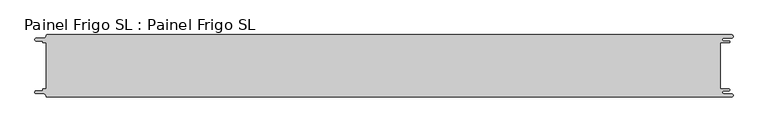
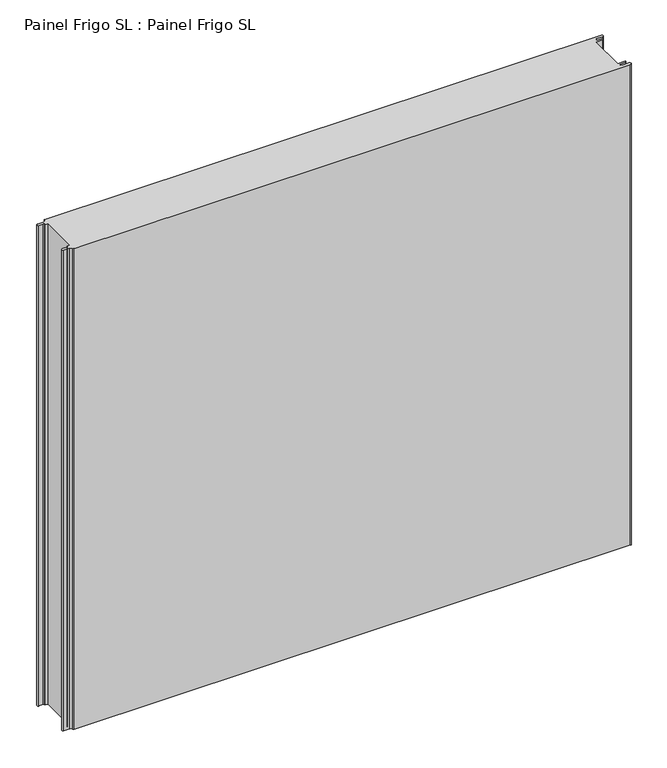
"""IFC4 building model written with IfcOpenShell, lengths in millimetres: proxy geometry, Painel Frigo SL : Painel Frigo SL."""

import ifcopenshell
import ifcopenshell.guid

model = None  # the IFC model being written
_history = None  # IfcOwnerHistory: only IFC2X3 demands one
_inside = {}  # id of a spatial element -> (the spatial element, [elements in it])
_under = {}  # id of a project, library or spatial element -> (it, [spatial elements below it])
_declared = {}  # id of a project -> (the project, [libraries it declares])
_typed = {}  # id of a type object -> (the type object, [elements of that type])
_made_of = {}  # id of a material, layer set ... -> (it, [elements and type objects made of it])


def new_model(schema):
    """Start an empty IFC model of exactly this schema.

    Asked for "IFC4X3", IfcOpenShell would pick the latest addendum, in which some entities
    have other attributes; the version numbers below select the first issue.
    IFC2X3 requires an IfcOwnerHistory on every rooted entity: one is made here for all.
    """
    global model, _history
    if schema == "IFC4X3":
        model = ifcopenshell.file(schema_version=(4, 3, 0, 0))
    else:
        model = ifcopenshell.file(schema=schema)
    _inside.clear()
    _under.clear()
    _declared.clear()
    _typed.clear()
    _made_of.clear()
    _history = None
    if model.schema == "IFC2X3":
        org = make("IfcOrganization", Name="unknown")
        user = make(
            "IfcPersonAndOrganization",
            ThePerson=make("IfcPerson", FamilyName="unknown"),
            TheOrganization=org,
        )
        app = make(
            "IfcApplication",
            ApplicationDeveloper=org,
            Version="unknown",
            ApplicationFullName="unknown",
            ApplicationIdentifier="unknown",
        )
        _history = make(
            "IfcOwnerHistory",
            OwningUser=user,
            OwningApplication=app,
            ChangeAction="ADDED",
            CreationDate=0,
        )
    return model


def make(cls, **values):
    """One entity of the class cls with the attributes given. An attribute that is None is left unset."""
    return model.create_entity(
        cls, **{name: value for name, value in values.items() if value is not None}
    )


def rooted(cls, **values):
    """An entity with a GlobalId (a new one), such as an element, a storey or a relation."""
    return make(cls, GlobalId=ifcopenshell.guid.new(), OwnerHistory=_history, **values)


def si_unit(unit_type, name, prefix=None):
    """IfcSIUnit, for example si_unit("LENGTHUNIT", "METRE", prefix="MILLI")."""
    return make("IfcSIUnit", UnitType=unit_type, Prefix=prefix, Name=name)


def assignment(units):
    """IfcUnitAssignment: the units of a project."""
    return None if units is None else make("IfcUnitAssignment", Units=units)


def point(xyz):
    """IfcCartesianPoint."""
    return None if xyz is None else make("IfcCartesianPoint", Coordinates=xyz)


def direction(xyz):
    """IfcDirection."""
    return None if xyz is None else make("IfcDirection", DirectionRatios=xyz)


def frame(location, z_axis=None, x_axis=None):
    """IfcAxis2Placement3D, a coordinate frame: its origin and axes. An axis left out is left unset."""
    return make(
        "IfcAxis2Placement3D",
        Location=point(location),
        Axis=direction(z_axis),
        RefDirection=direction(x_axis),
    )


def origin():
    """The frame at (0, 0, 0) with its axes left unset."""
    return frame((0.0, 0.0, 0.0))


def place(relative_to, where):
    """IfcLocalPlacement: puts the frame where relative to a parent placement (None: the world)."""
    return make(
        "IfcLocalPlacement", PlacementRelTo=relative_to, RelativePlacement=where
    )


def context(
    kind, dimensions, precision=None, world=None, true_north=None, identifier=None
):
    """IfcGeometricRepresentationContext, for example the 3D "Model" context."""
    return make(
        "IfcGeometricRepresentationContext",
        ContextIdentifier=identifier,
        ContextType=kind,
        CoordinateSpaceDimension=dimensions,
        Precision=precision,
        WorldCoordinateSystem=world,
        TrueNorth=true_north,
    )


def project(units=None, contexts=None):
    """IfcProject with its units and contexts."""
    return rooted(
        "IfcProject",
        Name="project",
        RepresentationContexts=contexts,
        UnitsInContext=assignment(units),
    )


def spatial(cls, under=None, at=None, **own):
    """A site, building, storey or space (cls), placed at a placement, below another one or the project."""
    s = rooted(cls, ObjectPlacement=at, **own)
    if under is not None:
        _under.setdefault(under.id(), (under, []))[1].append(s)
    return s


def polyline(points):
    """IfcPolyline through the points."""
    return make("IfcPolyline", Points=[point(p) for p in points])


def circle_curve(where, radius):
    """IfcCircle in the frame where."""
    return make("IfcCircle", Position=where, Radius=radius)


def shape(context_of_items, identifier, shape_type, items):
    """IfcShapeRepresentation: the items that make up one representation, for example the "Body"."""
    return make(
        "IfcShapeRepresentation",
        ContextOfItems=context_of_items,
        RepresentationIdentifier=identifier,
        RepresentationType=shape_type,
        Items=items,
    )


def source(mapping_origin, context_of_items, identifier, shape_type, items):
    """IfcRepresentationMap: a shape defined once, which mapped items show again and again."""
    return make(
        "IfcRepresentationMap",
        MappingOrigin=mapping_origin,
        MappedRepresentation=shape(context_of_items, identifier, shape_type, items),
    )


def transform(
    local_origin,
    x_axis=None,
    y_axis=None,
    z_axis=None,
    scale=None,
    scale2=None,
    scale3=None,
    uniform=True,
):
    """IfcCartesianTransformationOperator3D, or its non-uniform kind. x_axis, y_axis, z_axis: its Axis1, 2, 3."""
    if uniform:
        return make(
            "IfcCartesianTransformationOperator3D",
            Axis1=direction(x_axis),
            Axis2=direction(y_axis),
            LocalOrigin=point(local_origin),
            Scale=scale,
            Axis3=direction(z_axis),
        )
    return make(
        "IfcCartesianTransformationOperator3DnonUniform",
        Axis1=direction(x_axis),
        Axis2=direction(y_axis),
        LocalOrigin=point(local_origin),
        Scale=scale,
        Axis3=direction(z_axis),
        Scale2=scale2,
        Scale3=scale3,
    )


def mapped(mapping_source, mapping_target):
    """IfcMappedItem: shows the shape of a source again, moved by a transform."""
    return make(
        "IfcMappedItem", MappingSource=mapping_source, MappingTarget=mapping_target
    )


def made_of(thing, what):
    """Note that an element or type object is made of a material, layer set ...; save() writes the relation."""
    if what is not None:
        _made_of.setdefault(what.id(), (what, []))[1].append(thing)
    return thing


def element(
    cls,
    number,
    at=None,
    inside=None,
    cuts=None,
    type_object=None,
    material=None,
    context=None,
    identifier="Body",
    shape_type=None,
    held_by="IfcProductDefinitionShape",
    body=None,
    shapes=None,
    **own,
):
    """One element of the class cls, such as IfcWall. Its Tag is "e" and its number.

    at: its placement. inside: the storey or other place that contains it. cuts: it is an
    opening in that element (IfcRelVoidsElement). A single representation is given by context,
    identifier, shape_type and body (its items); several are given by shapes. held_by: the class
    of the entity that holds the representations. save() writes the other relations.
    """
    e = rooted(cls, Tag="e%d" % number, ObjectPlacement=at, **own)
    if body is not None:
        shapes = [shape(context, identifier, shape_type, body)]
    if shapes is not None:
        e.Representation = make(held_by, Representations=shapes)
    if inside is not None:
        _inside.setdefault(inside.id(), (inside, []))[1].append(e)
    if cuts is not None:
        rooted(
            "IfcRelVoidsElement", RelatingBuildingElement=cuts, RelatedOpeningElement=e
        )
    if type_object is not None:
        _typed.setdefault(type_object.id(), (type_object, []))[1].append(e)
    return made_of(e, material)


def aggregate(whole, parts):
    """IfcRelAggregates: a whole, such as a stair, and the parts it consists of."""
    return rooted("IfcRelAggregates", RelatingObject=whole, RelatedObjects=parts)


def save(model, path):
    """Write the relations noted so far, then the file.

    IfcRelAggregates (storeys below a building ...), IfcRelContainedInSpatialStructure (elements
    in a storey), IfcRelDefinesByType, IfcRelAssociatesMaterial and IfcRelDeclares: one each for
    every whole, place, type object, material and project.
    """
    for whole, parts in _under.values():
        aggregate(whole, parts)
    for where, things in _inside.values():
        rooted(
            "IfcRelContainedInSpatialStructure",
            RelatedElements=things,
            RelatingStructure=where,
        )
    for kind, things in _typed.values():
        rooted("IfcRelDefinesByType", RelatedObjects=things, RelatingType=kind)
    for what, things in _made_of.values():
        rooted("IfcRelAssociatesMaterial", RelatedObjects=things, RelatingMaterial=what)
    for by, libraries in _declared.values():
        rooted("IfcRelDeclares", RelatingContext=by, RelatedDefinitions=libraries)
    model.write(path)


def plane_surface(at):
    """IfcPlane: the flat surface through the origin of the frame at, square to its z axis."""
    return make("IfcPlane", Position=at)


def cylinder_surface(at, radius):
    """IfcCylindricalSurface: all points at the distance radius from the z axis of the frame at."""
    return make("IfcCylindricalSurface", Position=at, Radius=radius)


def revolved_surface(curve, axis_point, axis_direction):
    """IfcSurfaceOfRevolution: the curve turned about the line through axis_point along axis_direction."""
    return make(
        "IfcSurfaceOfRevolution",
        SweptCurve=make("IfcArbitraryOpenProfileDef", ProfileType="CURVE", Curve=curve),
        AxisPosition=make("IfcAxis1Placement", Location=point(axis_point), Axis=direction(axis_direction)),
    )


def advanced_brep(points, edges, surfaces, faces):
    """IfcAdvancedBrep: a solid bounded by faces that lie on surfaces and meet in shared edges.

    An edge is (start, end): straight between two places in points (the first is 0);
    or (start, end, curve); or (start, end, curve, False) where it runs against its curve.
    A face is (place in surfaces, loops), or (place, loops, False) where it looks against
    its surface's normal. A loop lists edges by number (the first is 1), with a minus sign
    where the edge is run from its end to its start. The first loop is the outer one.
    """
    corners = [point(p) for p in points]
    vertices = [make("IfcVertexPoint", VertexGeometry=c) for c in corners]
    made = []
    for start, end, *more in edges:
        made.append(
            make(
                "IfcEdgeCurve",
                EdgeStart=vertices[start],
                EdgeEnd=vertices[end],
                EdgeGeometry=more[0] if more else make("IfcPolyline", Points=[corners[start], corners[end]]),
                SameSense=more[1] if len(more) > 1 else True,
            )
        )
    hull = []
    for where, loops, *sense in faces:
        bounds = []
        for j, loop in enumerate(loops):
            ring = [make("IfcOrientedEdge", EdgeElement=made[abs(k) - 1], Orientation=k > 0) for k in loop]
            bounds.append(
                make(
                    "IfcFaceOuterBound" if j == 0 else "IfcFaceBound",
                    Bound=make("IfcEdgeLoop", EdgeList=ring),
                    Orientation=True,
                )
            )
        hull.append(make("IfcAdvancedFace", Bounds=bounds, FaceSurface=surfaces[where], SameSense=sense[0] if sense else True))
    return make("IfcAdvancedBrep", Outer=make("IfcClosedShell", CfsFaces=hull))


def painel_frigo_sl_painel_frigo_sl_66f63e43(model_context):
    return source(origin(), model_context, "Body", "AdvancedBrep", [
        advanced_brep(
        [(-554.5874998, -37.3, 1000.0), (-555.1874998, -37.9, 1000.0), (-555.1874998, -38.7085184, 1000.0), (-556.5875001, -40.1085187, 1000.0), (-565.565625, -40.1085187, 1000.0), (-565.565625, -44.5085185, 1000.0), (-553.55, -44.5085185, 1000.0), (-550.0, -48.0585185, 1000.0), (-548.05, -50.0, 1000.0), (546.89375, -50.0, 1000.0), (546.89375, -44.725, 1000.0), (534.45625, -44.725, 1000.0), (534.45625, -39.875, 1000.0), (543.1187503, -39.875, 1000.0), (543.1187503, -37.3, 1000.0), (529.2687503, -37.3, 1000.0), (529.2687503, 37.3, 1000.0), (543.1187503, 37.3, 1000.0), (543.1187503, 39.875, 1000.0), (534.45625, 39.875, 1000.0), (534.45625, 44.725, 1000.0), (546.89375, 44.725, 1000.0), (546.89375, 50.0, 1000.0), (-548.05, 50.0, 1000.0), (-550.0, 48.05, 1000.0), (-553.55, 44.5085185, 1000.0), (-565.565625, 44.5085185, 1000.0), (-565.565625, 40.1085185, 1000.0), (-556.5875003, 40.1085185, 1000.0), (-555.1875003, 38.7085185, 1000.0), (-555.1875003, 37.9, 1000.0), (-554.5874998, 37.2999995, 1000.0), (-549.2999612, 37.2999995, 1000.0), (-549.2999612, -37.3, 1000.0), (-554.5874998, -37.3, 0.0), (-549.2999612, -37.3, 0.0), (-549.2999612, 37.2999995, 0.0), (-554.5874998, 37.2999995, 0.0), (-555.1875003, 37.9, 0.0), (-555.1875003, 38.7085185, 0.0), (-556.5875003, 40.1085185, 0.0), (-565.565625, 40.1085185, 0.0), (-565.565625, 44.5085185, 0.0), (-553.55, 44.5085185, 0.0), (-550.0, 48.0585185, 0.0), (-548.05, 50.0, 0.0), (546.89375, 50.0, 0.0), (546.89375, 44.725, 0.0), (534.45625, 44.725, 0.0), (534.45625, 39.875, 0.0), (543.1187503, 39.875, 0.0), (543.1187503, 37.3, 0.0), (529.2687503, 37.3, 0.0), (529.2687503, -37.3, 0.0), (543.1187503, -37.3, 0.0), (543.1187503, -39.875, 0.0), (534.45625, -39.875, 0.0), (534.45625, -44.725, 0.0), (546.89375, -44.725, 0.0), (546.89375, -50.0, 0.0), (-548.05, -50.0, 0.0), (-550.0, -48.05, 0.0), (-553.55, -44.5085185, 0.0), (-565.565625, -44.5085185, 0.0), (-565.565625, -40.1085187, 0.0), (-556.5875001, -40.1085187, 0.0), (-555.1874998, -38.7085184, 0.0), (-555.1874998, -37.9, 0.0)],
        [
            (0, 1, circle_curve(frame((-554.5874998, -37.9, 1000.0), z_axis=(0.0, 0.0, 1.0), x_axis=(1.0, 0.0, 0.0)), 0.6)),
            (1, 2),
            (2, 3, circle_curve(frame((-556.5875001, -38.7085184, 1000.0), z_axis=(0.0, 0.0, -1.0), x_axis=(1.0, 0.0, 0.0)), 1.4000003)),
            (3, 4),
            (4, 5, circle_curve(frame((-565.565625, -42.3085186, 1000.0), z_axis=(0.0, 0.0, 1.0), x_axis=(1.0, 0.0, 0.0)), 2.1999999)),
            (5, 6),
            (6, 7, circle_curve(frame((-553.55, -48.0585185, 1000.0), z_axis=(0.0, 0.0, -1.0), x_axis=(1.0, 0.0, 0.0)), 3.55)),
            (7, 8, circle_curve(frame((-548.05, -48.05, 1000.0), z_axis=(0.0, 0.0, 1.0), x_axis=(1.0, 0.0, 0.0)), 1.95)),
            (8, 9),
            (9, 10, circle_curve(frame((546.89375, -47.3625, 1000.0), z_axis=(0.0, 0.0, 1.0), x_axis=(1.0, 0.0, 0.0)), 2.6375)),
            (10, 11),
            (11, 12, circle_curve(frame((534.45625, -42.3, 1000.0), z_axis=(0.0, 0.0, -1.0), x_axis=(1.0, 0.0, 0.0)), 2.425)),
            (12, 13),
            (13, 14, circle_curve(frame((543.1187503, -38.5875, 1000.0), z_axis=(0.0, 0.0, 1.0), x_axis=(1.0, 0.0, 0.0)), 1.2875)),
            (14, 15),
            (15, 16),
            (16, 17),
            (17, 18, circle_curve(frame((543.1187503, 38.5875, 1000.0), z_axis=(0.0, 0.0, 1.0), x_axis=(1.0, 0.0, 0.0)), 1.2875)),
            (18, 19),
            (19, 20, circle_curve(frame((534.45625, 42.3, 1000.0), z_axis=(0.0, 0.0, -1.0), x_axis=(1.0, 0.0, 0.0)), 2.425)),
            (20, 21),
            (21, 22, circle_curve(frame((546.89375, 47.3625, 1000.0), z_axis=(0.0, 0.0, 1.0), x_axis=(1.0, 0.0, 0.0)), 2.6375)),
            (22, 23),
            (23, 24, circle_curve(frame((-548.05, 48.05, 1000.0), z_axis=(0.0, 0.0, 1.0), x_axis=(1.0, 0.0, 0.0)), 1.95)),
            (24, 25, circle_curve(frame((-553.55, 48.0585185, 1000.0), z_axis=(0.0, 0.0, -1.0), x_axis=(1.0, 0.0, 0.0)), 3.55)),
            (25, 26),
            (26, 27, circle_curve(frame((-565.565625, 42.3085185, 1000.0), z_axis=(0.0, 0.0, 1.0), x_axis=(1.0, 0.0, 0.0)), 2.2)),
            (27, 28),
            (28, 29, circle_curve(frame((-556.5875003, 38.7085185, 1000.0), z_axis=(0.0, 0.0, -1.0), x_axis=(1.0, 0.0, 0.0)), 1.4)),
            (29, 30),
            (30, 31, circle_curve(frame((-554.5874998, 37.9, 1000.0), z_axis=(0.0, 0.0, 1.0), x_axis=(1.0, 0.0, 0.0)), 0.6000005)),
            (31, 32),
            (32, 33),
            (33, 0),
            (34, 35),
            (35, 36),
            (36, 37),
            (37, 38, circle_curve(frame((-554.5874998, 37.9, 0.0), z_axis=(0.0, 0.0, -1.0), x_axis=(1.0, 0.0, 0.0)), 0.6000005)),
            (38, 39),
            (39, 40, circle_curve(frame((-556.5875003, 38.7085185, 0.0), z_axis=(0.0, 0.0, 1.0), x_axis=(1.0, 0.0, 0.0)), 1.4)),
            (40, 41),
            (41, 42, circle_curve(frame((-565.565625, 42.3085185, 0.0), z_axis=(0.0, 0.0, -1.0), x_axis=(1.0, 0.0, 0.0)), 2.2)),
            (42, 43),
            (43, 44, circle_curve(frame((-553.55, 48.0585185, 0.0), z_axis=(0.0, 0.0, 1.0), x_axis=(1.0, 0.0, 0.0)), 3.55)),
            (44, 45, circle_curve(frame((-548.05, 48.05, 0.0), z_axis=(0.0, 0.0, -1.0), x_axis=(1.0, 0.0, 0.0)), 1.95)),
            (45, 46),
            (46, 47, circle_curve(frame((546.89375, 47.3625, 0.0), z_axis=(0.0, 0.0, -1.0), x_axis=(1.0, 0.0, 0.0)), 2.6375)),
            (47, 48),
            (48, 49, circle_curve(frame((534.45625, 42.3, 0.0), z_axis=(0.0, 0.0, 1.0), x_axis=(1.0, 0.0, 0.0)), 2.425)),
            (49, 50),
            (50, 51, circle_curve(frame((543.1187503, 38.5875, 0.0), z_axis=(0.0, 0.0, -1.0), x_axis=(1.0, 0.0, 0.0)), 1.2875)),
            (51, 52),
            (52, 53),
            (53, 54),
            (54, 55, circle_curve(frame((543.1187503, -38.5875, 0.0), z_axis=(0.0, 0.0, -1.0), x_axis=(1.0, 0.0, 0.0)), 1.2875)),
            (55, 56),
            (56, 57, circle_curve(frame((534.45625, -42.3, 0.0), z_axis=(0.0, 0.0, 1.0), x_axis=(1.0, 0.0, 0.0)), 2.425)),
            (57, 58),
            (58, 59, circle_curve(frame((546.89375, -47.3625, 0.0), z_axis=(0.0, 0.0, -1.0), x_axis=(1.0, 0.0, 0.0)), 2.6375)),
            (59, 60),
            (60, 61, circle_curve(frame((-548.05, -48.05, 0.0), z_axis=(0.0, 0.0, -1.0), x_axis=(1.0, 0.0, 0.0)), 1.95)),
            (61, 62, circle_curve(frame((-553.55, -48.0585185, 0.0), z_axis=(0.0, 0.0, 1.0), x_axis=(1.0, 0.0, 0.0)), 3.55)),
            (62, 63),
            (63, 64, circle_curve(frame((-565.565625, -42.3085186, 0.0), z_axis=(0.0, 0.0, -1.0), x_axis=(1.0, 0.0, 0.0)), 2.1999999)),
            (64, 65),
            (65, 66, circle_curve(frame((-556.5875001, -38.7085184, 0.0), z_axis=(0.0, 0.0, 1.0), x_axis=(1.0, 0.0, 0.0)), 1.4000003)),
            (66, 67),
            (67, 34, circle_curve(frame((-554.5874998, -37.9, 0.0), z_axis=(0.0, 0.0, -1.0), x_axis=(1.0, 0.0, 0.0)), 0.6)),
            (33, 35),
            (34, 0),
            (32, 36),
            (31, 37),
            (30, 38),
            (29, 39),
            (28, 40),
            (27, 41),
            (26, 42),
            (25, 43),
            (24, 44),
            (23, 45),
            (22, 46),
            (15, 53),
            (52, 16),
            (14, 54),
            (13, 55),
            (12, 56),
            (11, 57),
            (10, 58),
            (9, 59),
            (8, 60),
            (7, 61),
            (6, 62),
            (5, 63),
            (4, 64),
            (3, 65),
            (2, 66),
            (1, 67),
            (21, 47),
            (20, 48),
            (19, 49),
            (18, 50),
            (17, 51),
        ],
        [
            plane_surface(frame((-549.2999612, -37.3, 1000.0), z_axis=(0.0, 0.0, 1.0), x_axis=(1.0, 0.0, 0.0))),
            plane_surface(frame((-549.2999612, -37.3, 0.0), z_axis=(0.0, 0.0, -1.0), x_axis=(-1.0, 0.0, 0.0))),
            plane_surface(frame((-554.5874998, -37.3, 1000.0), z_axis=(0.0, 1.0, 0.0), x_axis=(0.0, 0.0, -1.0))),
            plane_surface(frame((-549.2999612, -37.3, 1000.0), z_axis=(-1.0, 0.0, 0.0), x_axis=(0.0, 0.0, -1.0))),
            plane_surface(frame((-549.2999612, 37.2999995, 1000.0), z_axis=(0.0, -1.0, 0.0), x_axis=(0.0, 0.0, -1.0))),
            cylinder_surface(frame((-554.5874998, 37.9, 0.0), z_axis=(0.0, 0.0, 1.0), x_axis=(1.0, 0.0, 0.0)), 0.6000005),
            plane_surface(frame((-555.1875003, 37.9, 1000.0), z_axis=(-1.0, -1.757860866232943e-12, 0.0), x_axis=(0.0, 0.0, -1.0))),
            revolved_surface(polyline([(-555.1875003, 38.7085185, 0.0), (-555.1875003, 38.7085185, 1000.0)]), (-556.5875003, 38.7085185, 0.0), (0.0, 0.0, -1.0)),
            plane_surface(frame((-556.5875003, 40.1085185, 1000.0), z_axis=(0.0, -1.0, 0.0), x_axis=(0.0, 0.0, -1.0))),
            cylinder_surface(frame((-565.565625, 42.3085185, 0.0), z_axis=(0.0, 0.0, 1.0), x_axis=(1.0, 0.0, 0.0)), 2.2),
            plane_surface(frame((-565.565625, 44.5085185, 1000.0), z_axis=(0.0, 1.0, 0.0), x_axis=(0.0, 0.0, -1.0))),
            revolved_surface(polyline([(-550.0, 48.0585185, 0.0), (-550.0, 48.0585185, 1000.0)]), (-553.55, 48.0585185, 0.0), (0.0, 0.0, -1.0)),
            cylinder_surface(frame((-548.05, 48.05, 0.0), z_axis=(0.0, 0.0, 1.0), x_axis=(1.0, 0.0, 0.0)), 1.95),
            plane_surface(frame((-548.05, 50.0, 1000.0), z_axis=(0.0, 1.0, 0.0), x_axis=(0.0, 0.0, -1.0))),
            plane_surface(frame((529.2687503, 37.3, 1000.0), z_axis=(1.0, 0.0, 0.0), x_axis=(0.0, 0.0, -1.0))),
            plane_surface(frame((529.2687503, -37.3, 1000.0), z_axis=(0.0, 1.0, 0.0), x_axis=(0.0, 0.0, -1.0))),
            cylinder_surface(frame((543.1187503, -38.5875, 0.0), z_axis=(0.0, 0.0, 1.0), x_axis=(1.0, 0.0, 0.0)), 1.2875),
            plane_surface(frame((543.1187503, -39.875, 1000.0), z_axis=(0.0, -1.0, 0.0), x_axis=(0.0, 0.0, -1.0))),
            revolved_surface(polyline([(536.8812499999999, -42.3, 0.0), (536.8812499999999, -42.3, 1000.0)]), (534.45625, -42.3, 0.0), (0.0, 0.0, -1.0)),
            plane_surface(frame((534.45625, -44.725, 1000.0), z_axis=(0.0, 1.0, 0.0), x_axis=(0.0, 0.0, -1.0))),
            cylinder_surface(frame((546.89375, -47.3625, 0.0), z_axis=(0.0, 0.0, 1.0), x_axis=(1.0, 0.0, 0.0)), 2.6375),
            plane_surface(frame((546.89375, -50.0, 1000.0), z_axis=(0.0, -1.0, 0.0), x_axis=(0.0, 0.0, -1.0))),
            cylinder_surface(frame((-548.05, -48.05, 0.0), z_axis=(0.0, 0.0, 1.0), x_axis=(1.0, 0.0, 0.0)), 1.95),
            revolved_surface(polyline([(-550.0, -48.0585185, 0.0), (-550.0, -48.0585185, 1000.0)]), (-553.55, -48.0585185, 0.0), (0.0, 0.0, -1.0)),
            plane_surface(frame((-553.55, -44.5085185, 1000.0), z_axis=(0.0, -1.0, 0.0), x_axis=(0.0, 0.0, -1.0))),
            cylinder_surface(frame((-565.565625, -42.3085186, 0.0), z_axis=(0.0, 0.0, 1.0), x_axis=(1.0, 0.0, 0.0)), 2.1999999),
            plane_surface(frame((-565.565625, -40.1085187, 1000.0), z_axis=(0.0, 1.0, 0.0), x_axis=(0.0, 0.0, -1.0))),
            revolved_surface(polyline([(-555.1874998000001, -38.7085184, 0.0), (-555.1874998000001, -38.7085184, 1000.0)]), (-556.5875001, -38.7085184, 0.0), (0.0, 0.0, -1.0)),
            plane_surface(frame((-555.1874998, -38.7085184, 1000.0), z_axis=(-1.0, 0.0, 0.0), x_axis=(0.0, 0.0, -1.0))),
            cylinder_surface(frame((-554.5874998, -37.9, 0.0), z_axis=(0.0, 0.0, 1.0), x_axis=(1.0, 0.0, 0.0)), 0.6),
            cylinder_surface(frame((546.89375, 47.3625, 0.0), z_axis=(0.0, 0.0, 1.0), x_axis=(1.0, 0.0, 0.0)), 2.6375),
            plane_surface(frame((546.89375, 44.725, 1000.0), z_axis=(0.0, -1.0, 0.0), x_axis=(0.0, 0.0, -1.0))),
            revolved_surface(polyline([(536.8812499999999, 42.3, 0.0), (536.8812499999999, 42.3, 1000.0)]), (534.45625, 42.3, 0.0), (0.0, 0.0, -1.0)),
            plane_surface(frame((534.45625, 39.875, 1000.0), z_axis=(0.0, 1.0, 0.0), x_axis=(0.0, 0.0, -1.0))),
            cylinder_surface(frame((543.1187503, 38.5875, 0.0), z_axis=(0.0, 0.0, 1.0), x_axis=(1.0, 0.0, 0.0)), 1.2875),
            plane_surface(frame((543.1187503, 37.3, 1000.0), z_axis=(0.0, -1.0, 0.0), x_axis=(0.0, 0.0, -1.0))),
        ],
        [
            (0, [[1, 2, 3, 4, 5, 6, 7, 8, 9, 10, 11, 12, 13, 14, 15, 16, 17, 18, 19, 20, 21, 22, 23, 24, 25, 26, 27, 28, 29, 30, 31, 32, 33, 34]]),
            (1, [[35, 36, 37, 38, 39, 40, 41, 42, 43, 44, 45, 46, 47, 48, 49, 50, 51, 52, 53, 54, 55, 56, 57, 58, 59, 60, 61, 62, 63, 64, 65, 66, 67, 68]]),
            (2, [[69, -35, 70, -34]]),
            (3, [[71, -36, -69, -33]]),
            (4, [[72, -37, -71, -32]]),
            (5, [[73, -38, -72, -31]]),
            (6, [[74, -39, -73, -30]]),
            (7, [[75, -40, -74, -29]]),
            (8, [[76, -41, -75, -28]]),
            (9, [[77, -42, -76, -27]]),
            (10, [[78, -43, -77, -26]]),
            (11, [[79, -44, -78, -25]]),
            (12, [[80, -45, -79, -24]]),
            (13, [[81, -46, -80, -23]]),
            (14, [[82, -53, 83, -16]]),
            (15, [[84, -54, -82, -15]]),
            (16, [[85, -55, -84, -14]]),
            (17, [[86, -56, -85, -13]]),
            (18, [[87, -57, -86, -12]]),
            (19, [[88, -58, -87, -11]]),
            (20, [[89, -59, -88, -10]]),
            (21, [[90, -60, -89, -9]]),
            (22, [[91, -61, -90, -8]]),
            (23, [[92, -62, -91, -7]]),
            (24, [[93, -63, -92, -6]]),
            (25, [[94, -64, -93, -5]]),
            (26, [[95, -65, -94, -4]]),
            (27, [[96, -66, -95, -3]]),
            (28, [[97, -67, -96, -2]]),
            (29, [[-70, -68, -97, -1]]),
            (30, [[98, -47, -81, -22]]),
            (31, [[99, -48, -98, -21]]),
            (32, [[100, -49, -99, -20]]),
            (33, [[101, -50, -100, -19]]),
            (34, [[102, -51, -101, -18]]),
            (35, [[-83, -52, -102, -17]]),
        ],
    ),
    ])


if __name__ == "__main__":
    model = new_model("IFC4")
    model_context = context("Model", 3, world=origin())
    ifc_project = project(units=[si_unit("LENGTHUNIT", "METRE", prefix="MILLI")], contexts=[model_context])
    site = spatial("IfcSite", under=ifc_project)
    building = spatial("IfcBuilding", under=site)
    placement = place(None, origin())
    painel_frigo_sl_painel_frigo_sl_shape = painel_frigo_sl_painel_frigo_sl_66f63e43(model_context)
    element("IfcBuildingElementProxy", 1, Name="Painel Frigo SL : Painel Frigo SL", ObjectType="Painel Frigo SL : Painel Frigo SL", at=placement, inside=building, context=model_context, shape_type="MappedRepresentation", body=[
        mapped(painel_frigo_sl_painel_frigo_sl_shape, transform((0.0, 0.0, 0.0), x_axis=(1.0, 0.0, 0.0), y_axis=(0.0, 1.0, 0.0), z_axis=(0.0, 0.0, 1.0))),
    ])
    save(model, "model.ifc")
